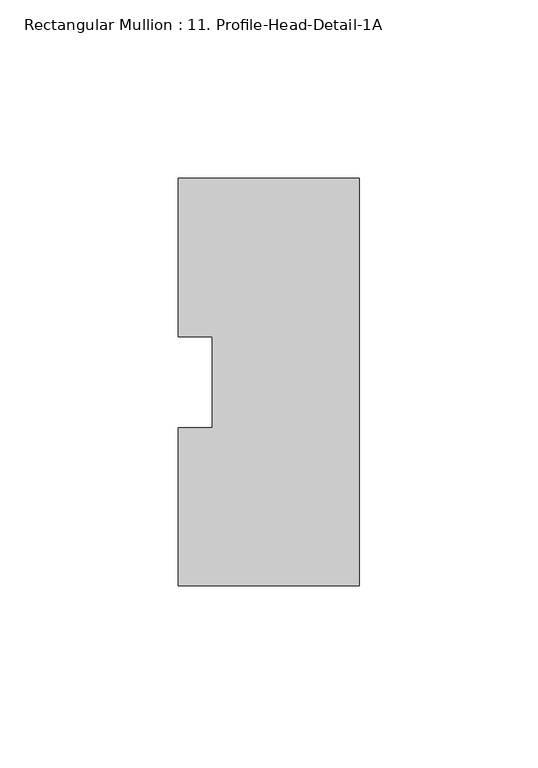
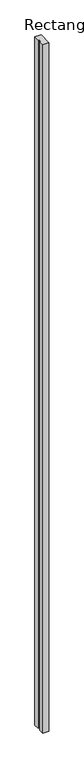
"""IFC4 building model written with IfcOpenShell, lengths in millimetres: member geometry, Rectangular Mullion : 11. Profile-Head-Detail-1A."""

from ifc_helpers import new_model, si_unit, frame, origin, place, context, project, spatial, polyline, outline, extrude, source, transform, mapped, element, save


def rectangular_mullion_11_profile_head_detail_1a_c168c6c6(model_context):
    return source(origin(), model_context, "Body", "SweptSolid", [
        extrude(outline(polyline([(0.0, 57.1499365), (0.0, -57.15), (-50.8, -57.1500635), (-50.8, -12.7550661), (-41.275, -12.7550661), (-41.275, 12.7326322), (-50.8, 12.7326322), (-50.8, 57.1499365), (0.0, 57.1499365)])), frame((0.0, 0.0, -6032.5), z_axis=(0.0, 0.0, 1.0), x_axis=(1.0, 0.0, 0.0)), (0.0, 0.0, 1.0), 6032.5),
    ])


if __name__ == "__main__":
    model = new_model("IFC4")
    model_context = context("Model", 3, world=origin())
    ifc_project = project(units=[si_unit("LENGTHUNIT", "METRE", prefix="MILLI")], contexts=[model_context])
    site = spatial("IfcSite", under=ifc_project)
    building = spatial("IfcBuilding", under=site)
    placement = place(None, origin())
    rectangular_mullion_11_profile_head_detail_1a_shape = rectangular_mullion_11_profile_head_detail_1a_c168c6c6(model_context)
    element("IfcMember", 1, ObjectType="Rectangular Mullion : 11. Profile-Head-Detail-1A", at=placement, inside=building, context=model_context, shape_type="MappedRepresentation", body=[
        mapped(rectangular_mullion_11_profile_head_detail_1a_shape, transform((0.0, 0.0, 0.0), x_axis=(1.0, 0.0, 0.0), y_axis=(0.0, 1.0, 0.0), z_axis=(0.0, 0.0, 1.0))),
    ])
    save(model, "model.ifc")
